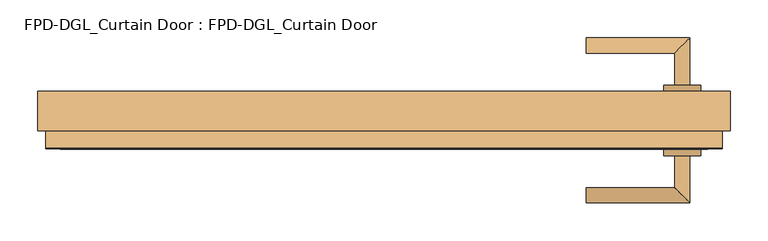
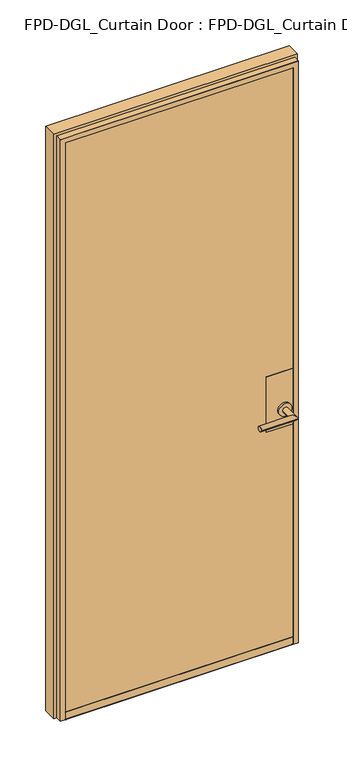
"""IFC4 building model written with IfcOpenShell, lengths in millimetres: door geometry, FPD-DGL_Curtain Door : FPD-DGL_Curtain Door."""

import ifcopenshell
import ifcopenshell.guid

model = None  # the IFC model being written
_history = None  # IfcOwnerHistory: only IFC2X3 demands one
_inside = {}  # id of a spatial element -> (the spatial element, [elements in it])
_under = {}  # id of a project, library or spatial element -> (it, [spatial elements below it])
_declared = {}  # id of a project -> (the project, [libraries it declares])
_typed = {}  # id of a type object -> (the type object, [elements of that type])
_made_of = {}  # id of a material, layer set ... -> (it, [elements and type objects made of it])


def new_model(schema):
    """Start an empty IFC model of exactly this schema.

    Asked for "IFC4X3", IfcOpenShell would pick the latest addendum, in which some entities
    have other attributes; the version numbers below select the first issue.
    IFC2X3 requires an IfcOwnerHistory on every rooted entity: one is made here for all.
    """
    global model, _history
    if schema == "IFC4X3":
        model = ifcopenshell.file(schema_version=(4, 3, 0, 0))
    else:
        model = ifcopenshell.file(schema=schema)
    _inside.clear()
    _under.clear()
    _declared.clear()
    _typed.clear()
    _made_of.clear()
    _history = None
    if model.schema == "IFC2X3":
        org = make("IfcOrganization", Name="unknown")
        user = make(
            "IfcPersonAndOrganization",
            ThePerson=make("IfcPerson", FamilyName="unknown"),
            TheOrganization=org,
        )
        app = make(
            "IfcApplication",
            ApplicationDeveloper=org,
            Version="unknown",
            ApplicationFullName="unknown",
            ApplicationIdentifier="unknown",
        )
        _history = make(
            "IfcOwnerHistory",
            OwningUser=user,
            OwningApplication=app,
            ChangeAction="ADDED",
            CreationDate=0,
        )
    return model


def make(cls, **values):
    """One entity of the class cls with the attributes given. An attribute that is None is left unset."""
    return model.create_entity(
        cls, **{name: value for name, value in values.items() if value is not None}
    )


def rooted(cls, **values):
    """An entity with a GlobalId (a new one), such as an element, a storey or a relation."""
    return make(cls, GlobalId=ifcopenshell.guid.new(), OwnerHistory=_history, **values)


def si_unit(unit_type, name, prefix=None):
    """IfcSIUnit, for example si_unit("LENGTHUNIT", "METRE", prefix="MILLI")."""
    return make("IfcSIUnit", UnitType=unit_type, Prefix=prefix, Name=name)


def assignment(units):
    """IfcUnitAssignment: the units of a project."""
    return None if units is None else make("IfcUnitAssignment", Units=units)


def point(xyz):
    """IfcCartesianPoint."""
    return None if xyz is None else make("IfcCartesianPoint", Coordinates=xyz)


def direction(xyz):
    """IfcDirection."""
    return None if xyz is None else make("IfcDirection", DirectionRatios=xyz)


def frame(location, z_axis=None, x_axis=None):
    """IfcAxis2Placement3D, a coordinate frame: its origin and axes. An axis left out is left unset."""
    return make(
        "IfcAxis2Placement3D",
        Location=point(location),
        Axis=direction(z_axis),
        RefDirection=direction(x_axis),
    )


def frame_2d(location, x_axis=None):
    """IfcAxis2Placement2D, a coordinate frame in the plane: its origin and x axis."""
    return make(
        "IfcAxis2Placement2D", Location=point(location), RefDirection=direction(x_axis)
    )


def origin():
    """The frame at (0, 0, 0) with its axes left unset."""
    return frame((0.0, 0.0, 0.0))


def place(relative_to, where):
    """IfcLocalPlacement: puts the frame where relative to a parent placement (None: the world)."""
    return make(
        "IfcLocalPlacement", PlacementRelTo=relative_to, RelativePlacement=where
    )


def context(
    kind, dimensions, precision=None, world=None, true_north=None, identifier=None
):
    """IfcGeometricRepresentationContext, for example the 3D "Model" context."""
    return make(
        "IfcGeometricRepresentationContext",
        ContextIdentifier=identifier,
        ContextType=kind,
        CoordinateSpaceDimension=dimensions,
        Precision=precision,
        WorldCoordinateSystem=world,
        TrueNorth=true_north,
    )


def project(units=None, contexts=None):
    """IfcProject with its units and contexts."""
    return rooted(
        "IfcProject",
        Name="project",
        RepresentationContexts=contexts,
        UnitsInContext=assignment(units),
    )


def spatial(cls, under=None, at=None, **own):
    """A site, building, storey or space (cls), placed at a placement, below another one or the project."""
    s = rooted(cls, ObjectPlacement=at, **own)
    if under is not None:
        _under.setdefault(under.id(), (under, []))[1].append(s)
    return s


def polyline(points):
    """IfcPolyline through the points."""
    return make("IfcPolyline", Points=[point(p) for p in points])


def circle_curve(where, radius):
    """IfcCircle in the frame where."""
    return make("IfcCircle", Position=where, Radius=radius)


def ellipse_curve(where, semi_axis1, semi_axis2):
    """IfcEllipse in the frame where."""
    return make(
        "IfcEllipse", Position=where, SemiAxis1=semi_axis1, SemiAxis2=semi_axis2
    )


def trimmed(basis, trim1, trim2, sense, master):
    """IfcTrimmedCurve: the piece of a basis curve between two trims."""
    return make(
        "IfcTrimmedCurve",
        BasisCurve=basis,
        Trim1=trim1,
        Trim2=trim2,
        SenseAgreement=sense,
        MasterRepresentation=master,
    )


def segment(curve, same_sense, transition):
    """IfcCompositeCurveSegment."""
    return make(
        "IfcCompositeCurveSegment",
        Transition=transition,
        SameSense=same_sense,
        ParentCurve=curve,
    )


def composite_curve(segments, self_intersect=None):
    """IfcCompositeCurve: segments joined end to end."""
    return make("IfcCompositeCurve", Segments=segments, SelfIntersect=self_intersect)


def outline(outer, holes=None, kind="AREA"):
    """IfcArbitraryClosedProfileDef: a profile drawn as a closed curve; with holes, ...WithVoids."""
    if holes is None:
        return make("IfcArbitraryClosedProfileDef", ProfileType=kind, OuterCurve=outer)
    return make(
        "IfcArbitraryProfileDefWithVoids",
        ProfileType=kind,
        OuterCurve=outer,
        InnerCurves=holes,
    )


def extrude(swept, where, along, depth):
    """IfcExtrudedAreaSolid: the profile swept, set in the frame where, extruded along a direction by depth."""
    return make(
        "IfcExtrudedAreaSolid",
        SweptArea=swept,
        Position=where,
        ExtrudedDirection=direction(along),
        Depth=depth,
    )


def shape(context_of_items, identifier, shape_type, items):
    """IfcShapeRepresentation: the items that make up one representation, for example the "Body"."""
    return make(
        "IfcShapeRepresentation",
        ContextOfItems=context_of_items,
        RepresentationIdentifier=identifier,
        RepresentationType=shape_type,
        Items=items,
    )


def source(mapping_origin, context_of_items, identifier, shape_type, items):
    """IfcRepresentationMap: a shape defined once, which mapped items show again and again."""
    return make(
        "IfcRepresentationMap",
        MappingOrigin=mapping_origin,
        MappedRepresentation=shape(context_of_items, identifier, shape_type, items),
    )


def transform(
    local_origin,
    x_axis=None,
    y_axis=None,
    z_axis=None,
    scale=None,
    scale2=None,
    scale3=None,
    uniform=True,
):
    """IfcCartesianTransformationOperator3D, or its non-uniform kind. x_axis, y_axis, z_axis: its Axis1, 2, 3."""
    if uniform:
        return make(
            "IfcCartesianTransformationOperator3D",
            Axis1=direction(x_axis),
            Axis2=direction(y_axis),
            LocalOrigin=point(local_origin),
            Scale=scale,
            Axis3=direction(z_axis),
        )
    return make(
        "IfcCartesianTransformationOperator3DnonUniform",
        Axis1=direction(x_axis),
        Axis2=direction(y_axis),
        LocalOrigin=point(local_origin),
        Scale=scale,
        Axis3=direction(z_axis),
        Scale2=scale2,
        Scale3=scale3,
    )


def mapped(mapping_source, mapping_target):
    """IfcMappedItem: shows the shape of a source again, moved by a transform."""
    return make(
        "IfcMappedItem", MappingSource=mapping_source, MappingTarget=mapping_target
    )


def made_of(thing, what):
    """Note that an element or type object is made of a material, layer set ...; save() writes the relation."""
    if what is not None:
        _made_of.setdefault(what.id(), (what, []))[1].append(thing)
    return thing


def element(
    cls,
    number,
    at=None,
    inside=None,
    cuts=None,
    type_object=None,
    material=None,
    context=None,
    identifier="Body",
    shape_type=None,
    held_by="IfcProductDefinitionShape",
    body=None,
    shapes=None,
    **own,
):
    """One element of the class cls, such as IfcWall. Its Tag is "e" and its number.

    at: its placement. inside: the storey or other place that contains it. cuts: it is an
    opening in that element (IfcRelVoidsElement). A single representation is given by context,
    identifier, shape_type and body (its items); several are given by shapes. held_by: the class
    of the entity that holds the representations. save() writes the other relations.
    """
    e = rooted(cls, Tag="e%d" % number, ObjectPlacement=at, **own)
    if body is not None:
        shapes = [shape(context, identifier, shape_type, body)]
    if shapes is not None:
        e.Representation = make(held_by, Representations=shapes)
    if inside is not None:
        _inside.setdefault(inside.id(), (inside, []))[1].append(e)
    if cuts is not None:
        rooted(
            "IfcRelVoidsElement", RelatingBuildingElement=cuts, RelatedOpeningElement=e
        )
    if type_object is not None:
        _typed.setdefault(type_object.id(), (type_object, []))[1].append(e)
    return made_of(e, material)


def aggregate(whole, parts):
    """IfcRelAggregates: a whole, such as a stair, and the parts it consists of."""
    return rooted("IfcRelAggregates", RelatingObject=whole, RelatedObjects=parts)


def save(model, path):
    """Write the relations noted so far, then the file.

    IfcRelAggregates (storeys below a building ...), IfcRelContainedInSpatialStructure (elements
    in a storey), IfcRelDefinesByType, IfcRelAssociatesMaterial and IfcRelDeclares: one each for
    every whole, place, type object, material and project.
    """
    for whole, parts in _under.values():
        aggregate(whole, parts)
    for where, things in _inside.values():
        rooted(
            "IfcRelContainedInSpatialStructure",
            RelatedElements=things,
            RelatingStructure=where,
        )
    for kind, things in _typed.values():
        rooted("IfcRelDefinesByType", RelatedObjects=things, RelatingType=kind)
    for what, things in _made_of.values():
        rooted("IfcRelAssociatesMaterial", RelatedObjects=things, RelatingMaterial=what)
    for by, libraries in _declared.values():
        rooted("IfcRelDeclares", RelatingContext=by, RelatedDefinitions=libraries)
    model.write(path)


def plane_surface(at):
    """IfcPlane: the flat surface through the origin of the frame at, square to its z axis."""
    return make("IfcPlane", Position=at)


def cylinder_surface(at, radius):
    """IfcCylindricalSurface: all points at the distance radius from the z axis of the frame at."""
    return make("IfcCylindricalSurface", Position=at, Radius=radius)


def revolved_surface(curve, axis_point, axis_direction):
    """IfcSurfaceOfRevolution: the curve turned about the line through axis_point along axis_direction."""
    return make(
        "IfcSurfaceOfRevolution",
        SweptCurve=make("IfcArbitraryOpenProfileDef", ProfileType="CURVE", Curve=curve),
        AxisPosition=make("IfcAxis1Placement", Location=point(axis_point), Axis=direction(axis_direction)),
    )


def advanced_brep(points, edges, surfaces, faces):
    """IfcAdvancedBrep: a solid bounded by faces that lie on surfaces and meet in shared edges.

    An edge is (start, end): straight between two places in points (the first is 0);
    or (start, end, curve); or (start, end, curve, False) where it runs against its curve.
    A face is (place in surfaces, loops), or (place, loops, False) where it looks against
    its surface's normal. A loop lists edges by number (the first is 1), with a minus sign
    where the edge is run from its end to its start. The first loop is the outer one.
    """
    corners = [point(p) for p in points]
    vertices = [make("IfcVertexPoint", VertexGeometry=c) for c in corners]
    made = []
    for start, end, *more in edges:
        made.append(
            make(
                "IfcEdgeCurve",
                EdgeStart=vertices[start],
                EdgeEnd=vertices[end],
                EdgeGeometry=more[0] if more else make("IfcPolyline", Points=[corners[start], corners[end]]),
                SameSense=more[1] if len(more) > 1 else True,
            )
        )
    hull = []
    for where, loops, *sense in faces:
        bounds = []
        for j, loop in enumerate(loops):
            ring = [make("IfcOrientedEdge", EdgeElement=made[abs(k) - 1], Orientation=k > 0) for k in loop]
            bounds.append(
                make(
                    "IfcFaceOuterBound" if j == 0 else "IfcFaceBound",
                    Bound=make("IfcEdgeLoop", EdgeList=ring),
                    Orientation=True,
                )
            )
        hull.append(make("IfcAdvancedFace", Bounds=bounds, FaceSurface=surfaces[where], SameSense=sense[0] if sense else True))
    return make("IfcAdvancedBrep", Outer=make("IfcClosedShell", CfsFaces=hull))


def fpd_dgl_curtain_door_fpd_dgl_curtain_door_ab9d43cb(model_context):
    return source(origin(), model_context, "Body", "SolidModel", [
        advanced_brep(
        [(267.6844563, -89.1684274, 965.2), (267.6844563, -109.240371, 965.2), (404.6060403, -109.240371, 965.2), (384.5340967, -89.1684274, 965.2), (384.5340967, -46.5341787, 965.2), (404.6060403, -46.5341787, 965.2)],
        [
            (0, 1, circle_curve(frame((267.6844563, -99.2043992, 965.2), z_axis=(-1.0, 0.0, 0.0), x_axis=(0.0, -1.0, 0.0)), 10.0359718)),
            (1, 0, circle_curve(frame((267.6844563, -99.2043992, 965.2), z_axis=(-1.0, 0.0, 0.0), x_axis=(0.0, -1.0, 0.0)), 10.0359718)),
            (1, 2),
            (2, 3, ellipse_curve(frame((394.5700685, -99.2043992, 965.2), z_axis=(-0.7071067811865464, -0.7071067811865488, 0.0), x_axis=(-0.7071067811865487, 0.7071067811865464, 0.0)), 14.1930074, 10.0359718)),
            (3, 0),
            (3, 2, ellipse_curve(frame((394.5700685, -99.2043992, 965.2), z_axis=(-0.7071067811865464, -0.7071067811865488, 0.0), x_axis=(-0.7071067811865487, 0.7071067811865464, 0.0)), 14.1930074, 10.0359718)),
            (4, 5, circle_curve(frame((394.5700685, -46.5341787, 965.2), z_axis=(0.0, 1.0, 0.0), x_axis=(1.0, 0.0, 0.0)), 10.0359718)),
            (5, 4, circle_curve(frame((394.5700685, -46.5341787, 965.2), z_axis=(0.0, 1.0, 0.0), x_axis=(1.0, 0.0, 0.0)), 10.0359718)),
            (2, 5),
            (4, 3),
        ],
        [
            plane_surface(frame((267.6844563, -99.2043992, 965.2), z_axis=(-1.0, 0.0, 0.0), x_axis=(0.0, 0.0, 1.0))),
            cylinder_surface(frame((267.6844563, -99.2043992, 965.2), z_axis=(-1.0, 0.0, 0.0), x_axis=(0.0, -1.0, 0.0)), 10.0359718),
            plane_surface(frame((394.5700685, -46.5341787, 965.2), z_axis=(0.0, 1.0, 0.0), x_axis=(0.0, 0.0, 1.0))),
            cylinder_surface(frame((394.5700685, -99.2043992, 965.2), z_axis=(0.0, -1.0, 0.0), x_axis=(1.0, 0.0, 0.0)), 10.0359718),
        ],
        [
            (0, [[1, 2]]),
            (1, [[3, 4, 5, -2]]),
            (1, [[-5, 6, -3, -1]]),
            (2, [[7, 8]]),
            (3, [[9, -7, 10, -4]]),
            (3, [[-10, -8, -9, -6]]),
        ],
    ),
        advanced_brep(
        [(384.5340967, 46.3299066, 965.2), (404.6060403, 46.3299066, 965.2), (404.6060403, 109.0360989, 965.2), (384.5340967, 88.9641553, 965.2), (267.6844563, 88.9641553, 965.2), (267.6844563, 109.0360989, 965.2)],
        [
            (0, 1, circle_curve(frame((394.5700685, 46.3299066, 965.2), z_axis=(0.0, -1.0, 0.0), x_axis=(1.0, 0.0, 0.0)), 10.0359718)),
            (1, 0, circle_curve(frame((394.5700685, 46.3299066, 965.2), z_axis=(0.0, -1.0, 0.0), x_axis=(1.0, 0.0, 0.0)), 10.0359718)),
            (1, 2),
            (2, 3, ellipse_curve(frame((394.5700685, 99.0001271, 965.2), z_axis=(0.7071067811865487, -0.7071067811865464, 0.0), x_axis=(-0.7071067811865464, -0.7071067811865487, 0.0)), 14.1930074, 10.0359718)),
            (3, 0),
            (3, 2, ellipse_curve(frame((394.5700685, 99.0001271, 965.2), z_axis=(0.7071067811865487, -0.7071067811865464, 0.0), x_axis=(-0.7071067811865464, -0.7071067811865487, 0.0)), 14.1930074, 10.0359718)),
            (4, 5, circle_curve(frame((267.6844563, 99.0001271, 965.2), z_axis=(-1.0, 0.0, 0.0), x_axis=(0.0, 1.0, 0.0)), 10.0359718)),
            (5, 4, circle_curve(frame((267.6844563, 99.0001271, 965.2), z_axis=(-1.0, 0.0, 0.0), x_axis=(0.0, 1.0, 0.0)), 10.0359718)),
            (2, 5),
            (4, 3),
        ],
        [
            plane_surface(frame((394.5700685, 46.3299066, 965.2), z_axis=(0.0, -1.0, 0.0), x_axis=(0.0, 0.0, 1.0))),
            cylinder_surface(frame((394.5700685, 46.3299066, 965.2), z_axis=(0.0, -1.0, 0.0), x_axis=(1.0, 0.0, 0.0)), 10.0359718),
            plane_surface(frame((267.6844563, 99.0001271, 965.2), z_axis=(-1.0, 0.0, 0.0), x_axis=(0.0, 0.0, 1.0))),
            cylinder_surface(frame((394.5700685, 99.0001271, 965.2), z_axis=(1.0, 0.0, 0.0), x_axis=(0.0, 1.0, 0.0)), 10.0359718),
        ],
        [
            (0, [[1, 2]]),
            (1, [[3, 4, 5, -2]]),
            (1, [[-5, 6, -3, -1]]),
            (2, [[7, 8]]),
            (3, [[9, -7, 10, -4]]),
            (3, [[-10, -8, -9, -6]]),
        ],
    ),
        extrude(outline(composite_curve([segment(trimmed(circle_curve(frame_2d((965.2, 394.5700685)), 24.60625), [point((965.2, 369.9638185))], [point((965.2, 419.1763185))], False, "CARTESIAN"), True, "CONTINUOUS"), segment(trimmed(circle_curve(frame_2d((965.2, 394.5700685)), 24.60625), [point((965.2, 419.1763185))], [point((965.2, 369.9638185))], False, "CARTESIAN"), True, "CONTINUOUS")], self_intersect=False)), frame((0.0, 38.0000959, 0.0), z_axis=(0.0, 1.0, 0.0), x_axis=(0.0, 0.0, 1.0)), (0.0, 0.0, 1.0), 8.3298107),
        extrude(outline(composite_curve([segment(trimmed(circle_curve(frame_2d((965.2, 394.5700685)), 24.60625), [point((965.2, 369.9638185))], [point((965.2, 419.1763185))], False, "CARTESIAN"), True, "CONTINUOUS"), segment(trimmed(circle_curve(frame_2d((965.2, 394.5700685)), 24.60625), [point((965.2, 419.1763185))], [point((965.2, 369.9638185))], False, "CARTESIAN"), True, "CONTINUOUS")], self_intersect=False)), frame((0.0, -46.5341787, 0.0), z_axis=(0.0, 1.0, 0.0), x_axis=(0.0, 0.0, 1.0)), (0.0, 0.0, 1.0), 8.3342763),
        extrude(outline(polyline([(428.0701285, 38.0000959), (428.0701285, 36.6000989), (328.0700159, 36.6000989), (328.0700159, 38.0000959), (428.0701285, 38.0000959)])), frame((0.0, 0.0, 893.55), z_axis=(0.0, 0.0, 1.0), x_axis=(1.0, 0.0, 0.0)), (0.0, 0.0, 1.0), 220.0),
        extrude(outline(polyline([(428.0701285, -36.7999054), (428.0701285, -38.1999024), (328.0700159, -38.1999024), (328.0700159, -36.7999054), (428.0701285, -36.7999054)])), frame((0.0, 0.0, 893.55), z_axis=(0.0, 0.0, 1.0), x_axis=(1.0, 0.0, 0.0)), (0.0, 0.0, 1.0), 220.0),
        extrude(outline(polyline([(-438.6662996, -28.1030481), (438.6662996, -28.1030481), (438.6662996, -36.7999054), (-438.6662996, -36.7999054), (-438.6662996, -28.1030481)])), frame((0.0, 0.0, 35.2749614), z_axis=(0.0, 0.0, 1.0), x_axis=(1.0, 0.0, 0.0)), (0.0, 0.0, 1.0), 2285.3059042),
        extrude(outline(polyline([(438.6662996, 28.0762398), (-438.6662996, 28.0762398), (-438.6662996, 36.7730971), (438.6662996, 36.7730971), (438.6662996, 28.0762398)])), frame((0.0, 0.0, 35.2749614), z_axis=(0.0, 0.0, 1.0), x_axis=(1.0, 0.0, 0.0)), (0.0, 0.0, 1.0), 2285.3059042),
        advanced_brep(
        [(458.0592919, 38.0731917, 15.875), (458.0592919, -13.9501736, 15.875), (447.7446296, -13.9501736, 15.875), (447.7446296, -37.2997247, 15.875), (446.9449186, -38.0994357, 15.875), (428.0701285, -38.0994357, 15.875), (428.0701285, -36.7999054, 15.875), (438.6662996, -36.7999054, 15.875), (438.6662996, -28.1030481, 15.875), (428.0701285, -28.1030481, 15.875), (428.0701285, 28.076804, 15.875), (438.6662997, 28.076804, 15.875), (438.6662997, 36.773661, 15.875), (428.0701285, 36.773661, 15.875), (428.0701285, 38.0731917, 15.875), (428.0701285, 38.0731917, 2309.9846944), (-428.0701285, 38.0731917, 2309.9846944), (-428.0701285, 38.0731917, 15.875), (-458.0592919, 38.0731917, 15.875), (-458.0592919, 38.0731917, 2339.9738578), (458.0592919, 38.0731917, 2339.9738578), (428.0701285, 36.773661, 2309.9846944), (438.6662997, 36.773661, 2320.5808656), (-438.6662997, 36.773661, 2320.5808656), (-438.6662997, 36.773661, 15.875), (-428.0701285, 36.773661, 15.875), (-428.0701285, 36.773661, 2309.9846944), (438.6662997, 28.076804, 2320.5808656), (428.0701285, 28.076804, 2309.9846944), (-428.0701285, 28.076804, 2309.9846944), (-428.0701285, 28.076804, 15.875), (-438.6662997, 28.076804, 15.875), (-438.6662997, 28.076804, 2320.5808656), (428.0701285, -28.1030481, 2309.9846944), (438.6662996, -28.1030481, 2320.5808655), (-438.6662996, -28.1030481, 2320.5808655), (-438.6662996, -28.1030481, 15.875), (-428.0701285, -28.1030481, 15.875), (-428.0701285, -28.1030481, 2309.9846944), (438.6662996, -36.7999054, 2320.5808655), (428.0701285, -36.7999054, 2309.9846944), (-428.0701285, -36.7999054, 2309.9846944), (-428.0701285, -36.7999054, 15.875), (-438.6662996, -36.7999054, 15.875), (-438.6662996, -36.7999054, 2320.5808655), (428.0701285, -38.0994357, 2309.9846944), (446.9449186, -38.0994357, 2328.8594845), (-446.9449186, -38.0994357, 2328.8594845), (-446.9449186, -38.0994357, 15.875), (-428.0701285, -38.0994357, 15.875), (-428.0701285, -38.0994357, 2309.9846944), (447.7446296, -37.2997247, 2329.6591955), (447.7446296, -13.9501736, 2329.6591955), (458.0592919, -13.9501736, 2339.9738578), (-458.0592919, -13.9501736, 2339.9738578), (-458.0592919, -13.9501736, 15.875), (-447.7446296, -13.9501736, 15.875), (-447.7446296, -13.9501736, 2329.6591955), (-447.7446296, -37.2997247, 15.875), (-447.7446296, -37.2997247, 2329.6591955)],
        [
            (0, 1),
            (1, 2),
            (2, 3),
            (3, 4, circle_curve(frame((446.9449186, -37.2997247, 15.875), z_axis=(0.0, 0.0, -1.0), x_axis=(0.0, 1.0, 0.0)), 0.799711)),
            (4, 5),
            (5, 6),
            (6, 7),
            (7, 8),
            (8, 9),
            (9, 10),
            (10, 11),
            (11, 12),
            (12, 13),
            (13, 14),
            (14, 0),
            (14, 15),
            (15, 16),
            (16, 17),
            (17, 18),
            (18, 19),
            (19, 20),
            (20, 0),
            (13, 21),
            (21, 15),
            (12, 22),
            (22, 23),
            (23, 24),
            (24, 25),
            (25, 26),
            (26, 21),
            (11, 27),
            (27, 22),
            (10, 28),
            (28, 29),
            (29, 30),
            (30, 31),
            (31, 32),
            (32, 27),
            (9, 33),
            (33, 28),
            (8, 34),
            (34, 35),
            (35, 36),
            (36, 37),
            (37, 38),
            (38, 33),
            (7, 39),
            (39, 34),
            (6, 40),
            (40, 41),
            (41, 42),
            (42, 43),
            (43, 44),
            (44, 39),
            (5, 45),
            (45, 40),
            (4, 46),
            (46, 47),
            (47, 48),
            (48, 49),
            (49, 50),
            (50, 45),
            (3, 51),
            (51, 46, ellipse_curve(frame((446.9449186, -37.2997247, 2328.8594845), z_axis=(0.7071067811865475, 0.0, -0.7071067811865475), x_axis=(-0.7071067811865474, 0.0, -0.7071067811865476)), 1.1309622, 0.799711)),
            (2, 52),
            (52, 51),
            (1, 53),
            (53, 54),
            (54, 55),
            (55, 56),
            (56, 57),
            (57, 52),
            (20, 53),
            (18, 55),
            (54, 19),
            (17, 25),
            (24, 31),
            (30, 37),
            (36, 43),
            (42, 49),
            (48, 58, circle_curve(frame((-446.9449186, -37.2997247, 15.875), z_axis=(0.0, 0.0, -1.0), x_axis=(0.0, 1.0, 0.0)), 0.799711)),
            (58, 56),
            (16, 26),
            (23, 32),
            (29, 38),
            (35, 44),
            (41, 50),
            (59, 58),
            (47, 59, ellipse_curve(frame((-446.9449186, -37.2997247, 2328.8594845), z_axis=(-0.7071067811865475, 0.0, -0.7071067811865475), x_axis=(-0.7071067811865474, 0.0, 0.7071067811865476)), 1.1309622, 0.799711)),
            (59, 57),
            (51, 59),
        ],
        [
            plane_surface(frame((458.0592919, -0.0134041, 15.875), z_axis=(0.0, 0.0, -1.0), x_axis=(0.0, 1.0, 0.0))),
            plane_surface(frame((458.0592919, 38.0731917, 15.875), z_axis=(0.0, 1.0, 0.0), x_axis=(0.0, 0.0, 1.0))),
            plane_surface(frame((428.0701285, 38.0731917, 15.875), z_axis=(-1.0, 0.0, 0.0), x_axis=(0.0, 0.0, 1.0))),
            plane_surface(frame((428.0701285, 36.773661, 15.875), z_axis=(0.0, -1.0, 0.0), x_axis=(0.0, 0.0, 1.0))),
            plane_surface(frame((438.6662997, 36.773661, 15.875), z_axis=(-1.0, 0.0, 0.0), x_axis=(0.0, 0.0, 1.0))),
            plane_surface(frame((438.6662997, 28.076804, 15.875), z_axis=(0.0, 1.0, 0.0), x_axis=(0.0, 0.0, 1.0))),
            plane_surface(frame((428.0701285, 28.076804, 15.875), z_axis=(-1.0, 0.0, 0.0), x_axis=(0.0, 0.0, 1.0))),
            plane_surface(frame((428.0701285, -28.1030481, 15.875), z_axis=(0.0, -1.0, 0.0), x_axis=(0.0, 0.0, 1.0))),
            plane_surface(frame((438.6662996, -28.1030481, 15.875), z_axis=(-1.0, 0.0, 0.0), x_axis=(0.0, 0.0, 1.0))),
            plane_surface(frame((438.6662996, -36.7999054, 15.875), z_axis=(0.0, 1.0, 0.0), x_axis=(0.0, 0.0, 1.0))),
            plane_surface(frame((428.0701285, -36.7999054, 15.875), z_axis=(-1.0, 0.0, 0.0), x_axis=(0.0, 0.0, 1.0))),
            plane_surface(frame((428.0701285, -38.0994357, 15.875), z_axis=(0.0, -1.0, 0.0), x_axis=(0.0, 0.0, 1.0))),
            cylinder_surface(frame((446.9449186, -37.2997247, 15.875), z_axis=(0.0, 0.0, -1.0), x_axis=(0.0, 1.0, 0.0)), 0.799711),
            plane_surface(frame((447.7446296, -37.2997247, 15.875), z_axis=(1.0, 0.0, 0.0), x_axis=(0.0, 0.0, 1.0))),
            plane_surface(frame((447.7446296, -13.9501736, 15.875), z_axis=(0.0, -1.0, 0.0), x_axis=(0.0, 0.0, 1.0))),
            plane_surface(frame((458.0592919, -13.9501736, 15.875), z_axis=(1.0, 0.0, 0.0), x_axis=(0.0, 0.0, 1.0))),
            plane_surface(frame((-458.0592919, -13.9501736, 2339.9738578), z_axis=(-1.0, 0.0, 0.0), x_axis=(0.0, 0.0, -1.0))),
            plane_surface(frame((-458.0592919, -0.0134041, 15.875), z_axis=(0.0, 0.0, -1.0), x_axis=(0.0, 1.0, 0.0))),
            plane_surface(frame((-428.0701285, 38.0731917, 2309.9846944), z_axis=(1.0, 0.0, 0.0), x_axis=(0.0, 0.0, -1.0))),
            plane_surface(frame((-438.6662997, 36.773661, 2320.5808656), z_axis=(1.0, 0.0, 0.0), x_axis=(0.0, 0.0, -1.0))),
            plane_surface(frame((-428.0701285, 28.076804, 2309.9846944), z_axis=(1.0, 0.0, 0.0), x_axis=(0.0, 0.0, -1.0))),
            plane_surface(frame((-438.6662996, -28.1030481, 2320.5808655), z_axis=(1.0, 0.0, 0.0), x_axis=(0.0, 0.0, -1.0))),
            plane_surface(frame((-428.0701285, -36.7999054, 2309.9846944), z_axis=(1.0, 0.0, 0.0), x_axis=(0.0, 0.0, -1.0))),
            cylinder_surface(frame((-446.9449186, -37.2997247, 2339.9738578), z_axis=(0.0, 0.0, 1.0), x_axis=(0.0, 1.0, 0.0)), 0.799711),
            plane_surface(frame((-447.7446296, -37.2997247, 2329.6591955), z_axis=(-1.0, 0.0, 0.0), x_axis=(0.0, 0.0, -1.0))),
            plane_surface(frame((428.0701285, 38.0731917, 2309.9846944), z_axis=(0.0, 0.0, -1.0), x_axis=(-1.0, 0.0, 0.0))),
            plane_surface(frame((438.6662997, 36.773661, 2320.5808656), z_axis=(0.0, 0.0, -1.0), x_axis=(-1.0, 0.0, 0.0))),
            plane_surface(frame((428.0701285, 28.076804, 2309.9846944), z_axis=(0.0, 0.0, -1.0), x_axis=(-1.0, 0.0, 0.0))),
            plane_surface(frame((438.6662996, -28.1030481, 2320.5808655), z_axis=(0.0, 0.0, -1.0), x_axis=(-1.0, 0.0, 0.0))),
            plane_surface(frame((428.0701285, -36.7999054, 2309.9846944), z_axis=(0.0, 0.0, -1.0), x_axis=(-1.0, 0.0, 0.0))),
            cylinder_surface(frame((458.0592919, -37.2997247, 2328.8594845), z_axis=(1.0, 0.0, 0.0), x_axis=(0.0, 1.0, 0.0)), 0.799711),
            plane_surface(frame((447.7446296, -37.2997247, 2329.6591955), z_axis=(0.0, 0.0, 1.0), x_axis=(-1.0, 0.0, 0.0))),
            plane_surface(frame((458.0592919, -13.9501736, 2339.9738578), z_axis=(0.0, 0.0, 1.0), x_axis=(-1.0, 0.0, 0.0))),
        ],
        [
            (0, [[1, 2, 3, 4, 5, 6, 7, 8, 9, 10, 11, 12, 13, 14, 15]]),
            (1, [[16, 17, 18, 19, 20, 21, 22, -15]]),
            (2, [[23, 24, -16, -14]]),
            (3, [[25, 26, 27, 28, 29, 30, -23, -13]]),
            (4, [[31, 32, -25, -12]]),
            (5, [[33, 34, 35, 36, 37, 38, -31, -11]]),
            (6, [[39, 40, -33, -10]]),
            (7, [[41, 42, 43, 44, 45, 46, -39, -9]]),
            (8, [[47, 48, -41, -8]]),
            (9, [[49, 50, 51, 52, 53, 54, -47, -7]]),
            (10, [[55, 56, -49, -6]]),
            (11, [[57, 58, 59, 60, 61, 62, -55, -5]]),
            (12, [[63, 64, -57, -4]]),
            (13, [[65, 66, -63, -3]]),
            (14, [[67, 68, 69, 70, 71, 72, -65, -2]]),
            (15, [[-22, 73, -67, -1]]),
            (16, [[-20, 74, -69, 75]]),
            (17, [[-19, 76, -28, 77, -36, 78, -44, 79, -52, 80, -60, 81, 82, -70, -74]]),
            (18, [[-29, -76, -18, 83]]),
            (19, [[-37, -77, -27, 84]]),
            (20, [[-45, -78, -35, 85]]),
            (21, [[-53, -79, -43, 86]]),
            (22, [[-61, -80, -51, 87]]),
            (23, [[88, -81, -59, 89]]),
            (24, [[-71, -82, -88, 90]]),
            (25, [[-30, -83, -17, -24]]),
            (26, [[-38, -84, -26, -32]]),
            (27, [[-46, -85, -34, -40]]),
            (28, [[-54, -86, -42, -48]]),
            (29, [[-62, -87, -50, -56]]),
            (30, [[91, -89, -58, -64]]),
            (31, [[-72, -90, -91, -66]]),
            (32, [[-21, -75, -68, -73]]),
        ],
    ),
        advanced_brep(
        [(428.0701285, -28.127892, 45.8749402), (428.0701285, -28.127892, 35.2749613), (428.0701285, -36.8278651, 35.2749613), (428.0701285, -36.8278651, 43.0952791), (428.0701285, -36.7278654, 44.0749434), (428.0701285, -36.7278654, 45.8749402), (428.0701285, -38.1278625, 45.8749402), (428.0701285, -38.1278625, 16.6749984), (428.0701285, -37.3278641, 15.875), (428.0701285, 38.0721375, 15.875), (428.0701285, 38.0721375, 45.8749402), (428.0701285, 36.6721405, 45.8749402), (428.0701285, 36.6721405, 44.0749436), (428.0701285, 36.7721402, 43.0952793), (428.0701285, 36.7721402, 35.7749604), (428.0701285, 36.2721409, 35.2749614), (428.0701285, 28.0721576, 35.2749614), (428.0701285, 28.0721576, 45.8749402), (-428.3475496, -28.127892, 45.8749402), (-428.3475496, 28.0721576, 45.8749402), (-428.3475496, 28.0721576, 35.2749614), (-428.3475496, 36.2721409, 35.2749614), (-428.3475496, 36.7721399, 35.7749604), (-428.3475496, 36.7721402, 43.0952793), (-428.3475496, 36.6721405, 44.0749436), (-428.3475496, 36.6721405, 45.8749402), (-428.3475496, 38.0721375, 45.8749402), (-428.3475496, 38.0721375, 15.875), (-428.3475496, -37.3278641, 15.875), (-428.3475496, -38.1278625, 16.6749984), (-428.3475496, -38.1278625, 45.8749402), (-428.3475496, -36.7278654, 45.8749402), (-428.3475496, -36.7278654, 44.0749434), (-428.3475496, -36.8278651, 43.0952791), (-428.3475496, -36.8278651, 35.2749613), (-428.3475496, -28.127892, 35.2749613)],
        [
            (0, 1),
            (1, 2),
            (2, 3),
            (3, 4),
            (4, 5),
            (5, 6),
            (6, 7),
            (7, 8, circle_curve(frame((428.0701285, -37.3278641, 16.6749984), z_axis=(1.0, 0.0, 0.0), x_axis=(0.0, 0.0, -1.0)), 0.7999984)),
            (8, 9),
            (9, 10),
            (10, 11),
            (11, 12),
            (12, 13),
            (13, 14),
            (14, 15, circle_curve(frame((428.0701285, 36.2721409, 35.7749604), z_axis=(-1.0, 0.0, 0.0), x_axis=(0.0, 0.0, -1.0)), 0.499999)),
            (15, 16),
            (16, 17),
            (17, 0),
            (18, 19),
            (19, 20),
            (20, 21),
            (21, 22, circle_curve(frame((-428.3475496, 36.2721409, 35.7749604), z_axis=(1.0, 0.0, 0.0), x_axis=(0.0, 0.0, -1.0)), 0.499999)),
            (22, 23),
            (23, 24),
            (24, 25),
            (25, 26),
            (26, 27),
            (27, 28),
            (28, 29, circle_curve(frame((-428.3475496, -37.3278641, 16.6749984), z_axis=(-1.0, 0.0, 0.0), x_axis=(0.0, 0.0, -1.0)), 0.7999984)),
            (29, 30),
            (30, 31),
            (31, 32),
            (32, 33),
            (33, 34),
            (34, 35),
            (35, 18),
            (17, 19),
            (18, 0),
            (16, 20),
            (15, 21),
            (14, 22),
            (13, 23),
            (12, 24),
            (11, 25),
            (10, 26),
            (9, 27),
            (8, 28),
            (7, 29),
            (6, 30),
            (5, 31),
            (4, 32),
            (3, 33),
            (2, 34),
            (1, 35),
        ],
        [
            plane_surface(frame((428.0701285, -0.0134041, 15.875), z_axis=(1.0, 0.0, 0.0), x_axis=(0.0, 1.0, 0.0))),
            plane_surface(frame((-428.3475496, -0.0134041, 15.875), z_axis=(-1.0, 0.0, 0.0), x_axis=(0.0, 1.0, 0.0))),
            plane_surface(frame((428.0701285, -28.127892, 45.8749402), z_axis=(0.0, 0.0, 1.0), x_axis=(-1.0, 0.0, 0.0))),
            plane_surface(frame((428.0701285, 28.0721576, 45.8749402), z_axis=(0.0, 1.0, 0.0), x_axis=(-1.0, 0.0, 0.0))),
            plane_surface(frame((428.0701285, 28.0721576, 35.2749614), z_axis=(0.0, 0.0, 1.0), x_axis=(-1.0, 0.0, 0.0))),
            revolved_surface(polyline([(-428.3475496, 36.2721409, 35.274961399999995), (428.0701285, 36.2721409, 35.274961399999995)]), (428.0701285, 36.2721409, 35.7749604), (-1.0, 0.0, 0.0)),
            plane_surface(frame((428.0701285, 36.7721402, 35.7749604), z_axis=(0.0, -1.0, 0.0), x_axis=(-1.0, 0.0, 0.0))),
            plane_surface(frame((428.0701285, 36.7721402, 43.0952793), z_axis=(0.0, -0.9948306566600448, -0.10154784374541988), x_axis=(-1.0, 0.0, 0.0))),
            plane_surface(frame((428.0701285, 36.6721405, 44.0749436), z_axis=(0.0, -1.0, 0.0), x_axis=(-1.0, 0.0, 0.0))),
            plane_surface(frame((428.0701285, 36.6721405, 45.8749402), z_axis=(0.0, 0.0, 1.0), x_axis=(-1.0, 0.0, 0.0))),
            plane_surface(frame((428.0701285, 38.0721375, 45.8749402), z_axis=(0.0, 1.0, 0.0), x_axis=(-1.0, 0.0, 0.0))),
            plane_surface(frame((428.0701285, 38.0721375, 15.875), z_axis=(0.0, 0.0, -1.0), x_axis=(-1.0, 0.0, 0.0))),
            cylinder_surface(frame((428.0701285, -37.3278641, 16.6749984), z_axis=(1.0, 0.0, 0.0), x_axis=(0.0, 0.0, -1.0)), 0.7999984),
            plane_surface(frame((428.0701285, -38.1278625, 16.6749984), z_axis=(0.0, -1.0, 0.0), x_axis=(-1.0, 0.0, 0.0))),
            plane_surface(frame((428.0701285, -38.1278625, 45.8749402), z_axis=(0.0, 0.0, 1.0), x_axis=(-1.0, 0.0, 0.0))),
            plane_surface(frame((428.0701285, -36.7278654, 45.8749402), z_axis=(0.0, 1.0, 0.0), x_axis=(-1.0, 0.0, 0.0))),
            plane_surface(frame((428.0701285, -36.7278654, 44.0749434), z_axis=(0.0, 0.9948306566625575, -0.10154784372080249), x_axis=(-1.0, 0.0, 0.0))),
            plane_surface(frame((428.0701285, -36.8278651, 43.0952791), z_axis=(0.0, 1.0, 0.0), x_axis=(-1.0, 0.0, 0.0))),
            plane_surface(frame((428.0701285, -36.8278651, 35.2749613), z_axis=(0.0, 0.0, 1.0), x_axis=(-1.0, 0.0, 0.0))),
            plane_surface(frame((428.0701285, -28.127892, 35.2749613), z_axis=(0.0, -1.0, 0.0), x_axis=(-1.0, 0.0, 0.0))),
        ],
        [
            (0, [[1, 2, 3, 4, 5, 6, 7, 8, 9, 10, 11, 12, 13, 14, 15, 16, 17, 18]]),
            (1, [[19, 20, 21, 22, 23, 24, 25, 26, 27, 28, 29, 30, 31, 32, 33, 34, 35, 36]]),
            (2, [[37, -19, 38, -18]]),
            (3, [[39, -20, -37, -17]]),
            (4, [[40, -21, -39, -16]]),
            (5, [[41, -22, -40, -15]]),
            (6, [[42, -23, -41, -14]]),
            (7, [[43, -24, -42, -13]]),
            (8, [[44, -25, -43, -12]]),
            (9, [[45, -26, -44, -11]]),
            (10, [[46, -27, -45, -10]]),
            (11, [[47, -28, -46, -9]]),
            (12, [[48, -29, -47, -8]]),
            (13, [[49, -30, -48, -7]]),
            (14, [[50, -31, -49, -6]]),
            (15, [[51, -32, -50, -5]]),
            (16, [[52, -33, -51, -4]]),
            (17, [[53, -34, -52, -3]]),
            (18, [[54, -35, -53, -2]]),
            (19, [[-38, -36, -54, -1]]),
        ],
    ),
    ])


if __name__ == "__main__":
    model = new_model("IFC4")
    model_context = context("Model", 3, world=origin())
    ifc_project = project(units=[si_unit("LENGTHUNIT", "METRE", prefix="MILLI")], contexts=[model_context])
    site = spatial("IfcSite", under=ifc_project)
    building = spatial("IfcBuilding", under=site)
    placement = place(None, origin())
    fpd_dgl_curtain_door_fpd_dgl_curtain_door_shape = fpd_dgl_curtain_door_fpd_dgl_curtain_door_ab9d43cb(model_context)
    element("IfcDoor", 1, ObjectType="FPD-DGL_Curtain Door : FPD-DGL_Curtain Door", at=placement, inside=building, context=model_context, shape_type="MappedRepresentation", body=[
        mapped(fpd_dgl_curtain_door_fpd_dgl_curtain_door_shape, transform((0.0, 0.0, 0.0), x_axis=(1.0, 0.0, 0.0), y_axis=(0.0, 1.0, 0.0), z_axis=(0.0, 0.0, 1.0))),
    ])
    save(model, "model.ifc")
